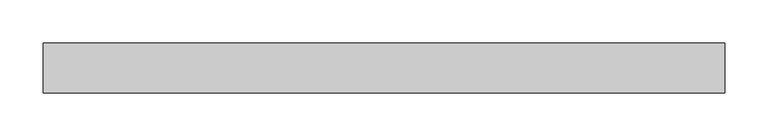
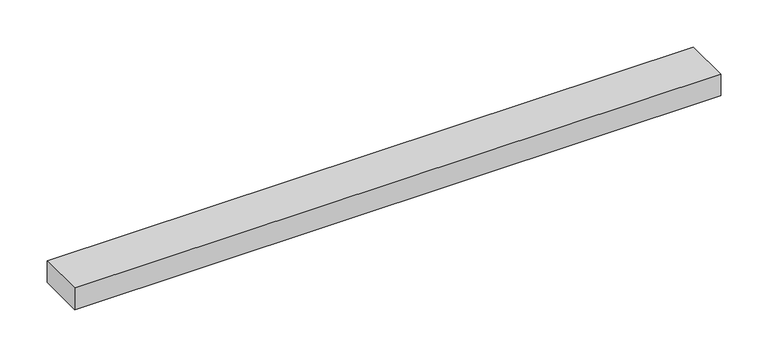
"""IFC4 building model written with IfcOpenShell, lengths in millimetres: proxy geometry."""

from ifc_helpers import new_model, si_unit, frame, origin, place, context, project, spatial, polyline, outline, extrude, source, transform, mapped, element, save


def specialty_equipment_17161d1b(model_context):
    return source(origin(), model_context, "Body", "SweptSolid", [
        extrude(outline(polyline([(-396.3752806, -29.2199219), (-396.3752806, 29.2199219), (396.3752806, 29.2199219), (396.3752806, -29.2199219), (-396.3752806, -29.2199219)])), frame((0.0, 0.0, -13.9898438), z_axis=(0.0, 0.0, 1.0), x_axis=(1.0, 0.0, 0.0)), (0.0, 0.0, 1.0), 27.9796875),
    ])


if __name__ == "__main__":
    model = new_model("IFC4")
    model_context = context("Model", 3, world=origin())
    ifc_project = project(units=[si_unit("LENGTHUNIT", "METRE", prefix="MILLI")], contexts=[model_context])
    site = spatial("IfcSite", under=ifc_project)
    building = spatial("IfcBuilding", under=site)
    placement = place(None, origin())
    specialty_equipment_shape = specialty_equipment_17161d1b(model_context)
    element("IfcBuildingElementProxy", 1, Name="Specialty Equipment", at=placement, inside=building, context=model_context, shape_type="MappedRepresentation", body=[
        mapped(specialty_equipment_shape, transform((0.0, 0.0, 0.0), x_axis=(1.0, 0.0, 0.0), y_axis=(0.0, 1.0, 0.0), z_axis=(0.0, 0.0, 1.0))),
    ])
    save(model, "model.ifc")
